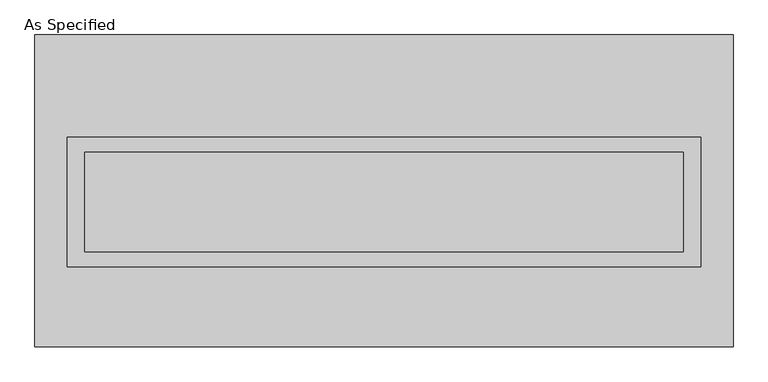
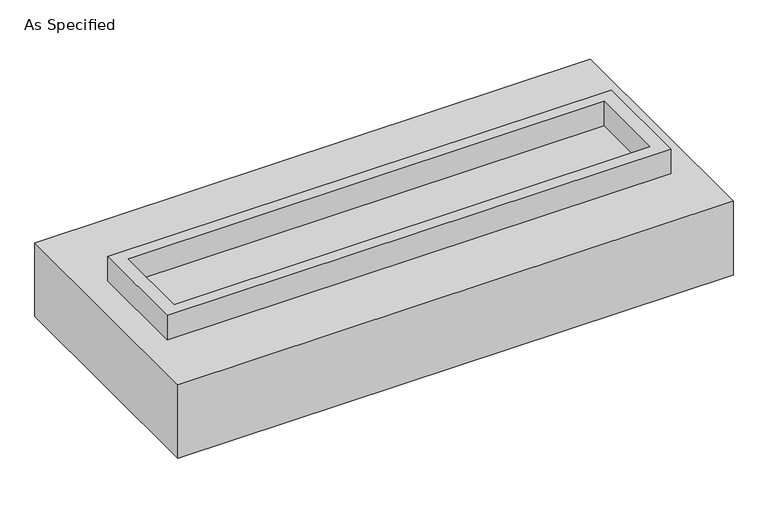
"""IFC4 building model written with IfcOpenShell, lengths in millimetres: proxy geometry, As Specified."""

from ifc_helpers import new_model, si_unit, frame, origin, place, context, project, spatial, polyline, outline, extrude, source, transform, mapped, element, save


def as_specified_0c2c1e2a(model_context):
    return source(origin(), model_context, "Body", "SweptSolid", [
        extrude(outline(polyline([(1612.9, 273.05), (1612.9, -387.35), (-1612.9, -387.35), (-1612.9, 273.05), (1612.9, 273.05)]), holes=[polyline([(1524.0, 196.85), (-1524.0, 196.85), (-1524.0, -311.15), (1524.0, -311.15), (1524.0, 196.85)])]), frame((0.0, 0.0, -688.975), z_axis=(0.0, 0.0, 1.0), x_axis=(1.0, 0.0, 0.0)), (0.0, 0.0, 1.0), 165.1),
        extrude(outline(polyline([(1612.9, 273.05), (1612.9, -387.35), (-1612.9, -387.35), (-1612.9, 273.05), (1612.9, 273.05)]), holes=[polyline([(1524.0, 196.85), (-1524.0, 196.85), (-1524.0, -311.15), (1524.0, -311.15), (1524.0, 196.85)])]), frame((0.0, 0.0, -25.4), z_axis=(0.0, 0.0, 1.0), x_axis=(1.0, 0.0, 0.0)), (0.0, 0.0, 1.0), 165.1),
        extrude(outline(polyline([(1524.0, 196.85), (1524.0, -311.15), (-1524.0, -311.15), (-1524.0, 196.85), (1524.0, 196.85)])), frame((0.0, 0.0, -523.875), z_axis=(0.0, 0.0, 1.0), x_axis=(1.0, 0.0, 0.0)), (0.0, 0.0, 1.0), 4.9609375),
        extrude(outline(polyline([(1524.0, 196.85), (1524.0, -311.15), (-1524.0, -311.15), (-1524.0, 196.85), (1524.0, 196.85)])), frame((0.0, 0.0, -30.3609375), z_axis=(0.0, 0.0, 1.0), x_axis=(1.0, 0.0, 0.0)), (0.0, 0.0, 1.0), 4.9609375),
        extrude(outline(polyline([(1778.0, -793.75), (-1778.0, -793.75), (-1778.0, 793.75), (1778.0, 793.75), (1778.0, -793.75)]), holes=[polyline([(-1612.9, 273.05), (-1612.9, -387.35), (1612.9, -387.35), (1612.9, 273.05), (-1612.9, 273.05)])]), frame((0.0, 0.0, -523.875), z_axis=(0.0, 0.0, 1.0), x_axis=(1.0, 0.0, 0.0)), (0.0, 0.0, 1.0), 498.475),
    ])


if __name__ == "__main__":
    model = new_model("IFC4")
    model_context = context("Model", 3, world=origin())
    ifc_project = project(units=[si_unit("LENGTHUNIT", "METRE", prefix="MILLI")], contexts=[model_context])
    site = spatial("IfcSite", under=ifc_project)
    building = spatial("IfcBuilding", under=site)
    placement = place(None, origin())
    as_specified_shape = as_specified_0c2c1e2a(model_context)
    element("IfcBuildingElementProxy", 1, Name="As Specified", ObjectType="As Specified", at=placement, inside=building, context=model_context, shape_type="MappedRepresentation", body=[
        mapped(as_specified_shape, transform((0.0, 0.0, 0.0), x_axis=(1.0, 0.0, 0.0), y_axis=(0.0, 1.0, 0.0), z_axis=(0.0, 0.0, 1.0))),
    ])
    save(model, "model.ifc")
